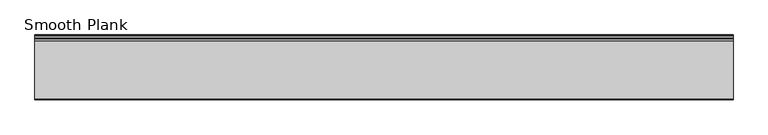
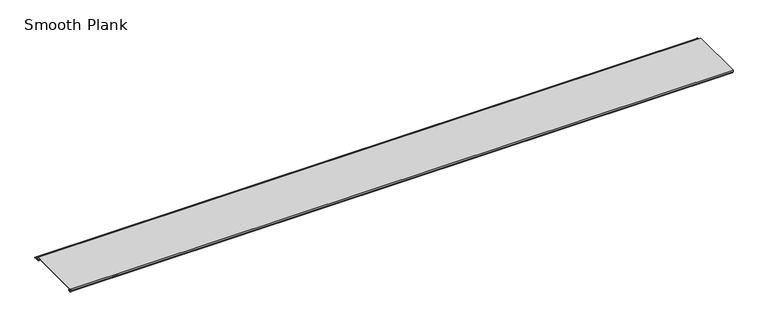
"""IFC4 building model written with IfcOpenShell, lengths in millimetres: proxy geometry, Smooth Plank."""

from ifc_helpers import new_model, si_unit, frame, origin, place, context, project, spatial, polyline, circle_curve, source, transform, mapped, element, save
from ifc_brep_helpers import plane_surface, cylinder_surface, revolved_surface, advanced_brep


def smooth_plank_182cc2cd(model_context):
    return source(origin(), model_context, "Body", "AdvancedBrep", [
        advanced_brep(
        [(0.0, 4.8744927, 8.2680202), (0.0, 3.9294566, 8.3110101), (0.0, 1.090066, 8.354), (0.0, 0.0792777, 8.354), (0.0, -0.0001544, 13.254), (0.0, 152.3996911, 13.254), (0.0, 152.3996911, 8.147108), (0.0, 158.290736, 8.147108), (0.0, 158.273537, 6.6272053), (0.0, 154.1504562, 6.6270998), (0.0, 153.6158999, 5.7546122), (0.0, 154.7631389, 3.504), (0.0, 159.5477238, 3.504), (0.0, 160.3050221, 2.8685513), (0.0, 166.0976087, 2.8685513), (0.0, 166.854907, 3.504), (0.0, 167.804907, 3.504), (0.0, 167.804907, 1.854), (0.0, 153.8453645, 1.854), (0.0, 150.8296911, 7.7700394), (0.0, 150.8296911, 11.684), (0.0, 2.2248214, 11.684), (0.0, 2.2248214, 10.494), (0.0, 3.6558496, 10.494), (0.0, 4.9451168, 9.4973352), (0.0, 6.3249897, 9.4330632), (0.0, 6.2187315, 4.8680202), (0.0, 2.2864187, 4.8680202), (0.0, 2.2365622, 6.1943028), (0.0, 4.5052255, 6.3180202), (0.0, 6.0737133, 6.3180202), (0.0, 6.0737133, 8.2680202), (1815.546, 4.8744927, 8.2680202), (1815.546, 6.0737133, 8.2680202), (1815.546, 6.0737133, 6.3180202), (1815.546, 4.5052255, 6.3180202), (1815.546, 2.2365622, 6.1943028), (1815.546, 2.2864187, 4.8680202), (1815.546, 6.2187315, 4.8680202), (1815.546, 6.3249897, 9.4330632), (1815.546, 4.9451168, 9.4973352), (1815.546, 3.6558496, 10.494), (1815.546, 2.2248214, 10.494), (1815.546, 2.2248214, 11.684), (1815.546, 150.8296911, 11.684), (1815.546, 150.8296911, 7.7700394), (1815.546, 153.8453645, 1.854), (1815.546, 167.804907, 1.854), (1815.546, 167.804907, 3.504), (1815.546, 166.854907, 3.504), (1815.546, 166.0976087, 2.8685513), (1815.546, 160.3050221, 2.8685513), (1815.546, 159.5477238, 3.504), (1815.546, 154.7631389, 3.504), (1815.546, 153.6158999, 5.7546122), (1815.546, 154.1504562, 6.6270998), (1815.546, 158.273537, 6.6270998), (1815.546, 158.290736, 8.147108), (1815.546, 152.3996911, 8.147108), (1815.546, 152.3996911, 13.254), (1815.546, -0.0001545, 13.254), (1815.546, 0.0792777, 8.354), (1815.546, 1.090066, 8.354), (1815.546, 3.9294566, 8.3110101)],
        [
            (0, 1),
            (1, 2, circle_curve(frame((0.0, 2.4844378, 6.6599411), z_axis=(1.0, 0.0, 0.0), x_axis=(0.0, 1.0, 0.0)), 2.1941076)),
            (2, 3),
            (3, 4),
            (4, 5),
            (5, 6),
            (6, 7),
            (7, 8, circle_curve(frame((0.0, 158.2821365, 7.3871566), z_axis=(-1.0, 0.0, 0.0), x_axis=(0.0, 1.0, 0.0)), 0.76)),
            (8, 9),
            (9, 10, circle_curve(frame((0.0, 154.1504562, 6.0270998), z_axis=(1.0, 0.0, 0.0), x_axis=(0.0, 1.0, 0.0)), 0.6)),
            (10, 11),
            (11, 12),
            (12, 13),
            (13, 14),
            (14, 15),
            (15, 16),
            (16, 17, circle_curve(frame((0.0, 167.804907, 2.679), z_axis=(-1.0, 0.0, 0.0), x_axis=(0.0, 1.0, 0.0)), 0.825)),
            (17, 18),
            (18, 19),
            (19, 20),
            (20, 21),
            (21, 22, circle_curve(frame((0.0, 2.2248214, 11.089), z_axis=(1.0, 0.0, 0.0), x_axis=(0.0, 1.0, 0.0)), 0.595)),
            (22, 23),
            (23, 24),
            (24, 25),
            (25, 26, circle_curve(frame((0.0, 6.2187315, 7.1517784), z_axis=(-1.0, 0.0, 0.0), x_axis=(0.0, 1.0, 0.0)), 2.2837581)),
            (26, 27),
            (27, 28, circle_curve(frame((0.0, 2.2864187, 5.5320986), z_axis=(-1.0, 0.0, 0.0), x_axis=(0.0, 1.0, 0.0)), 0.6640784)),
            (28, 29),
            (29, 30),
            (30, 31, circle_curve(frame((0.0, 6.0737133, 7.2930202), z_axis=(1.0, 0.0, 0.0), x_axis=(0.0, 1.0, 0.0)), 0.975)),
            (31, 0),
            (32, 33),
            (33, 34, circle_curve(frame((1815.546, 6.0737133, 7.2930202), z_axis=(-1.0, 0.0, 0.0), x_axis=(0.0, 1.0, 0.0)), 0.975)),
            (34, 35),
            (35, 36),
            (36, 37, circle_curve(frame((1815.546, 2.2864187, 5.5320986), z_axis=(1.0, 0.0, 0.0), x_axis=(0.0, 1.0, 0.0)), 0.6640784)),
            (37, 38),
            (38, 39, circle_curve(frame((1815.546, 6.2187315, 7.1517784), z_axis=(1.0, 0.0, 0.0), x_axis=(0.0, 1.0, 0.0)), 2.2837581)),
            (39, 40),
            (40, 41),
            (41, 42),
            (42, 43, circle_curve(frame((1815.546, 2.2248214, 11.089), z_axis=(-1.0, 0.0, 0.0), x_axis=(0.0, 1.0, 0.0)), 0.595)),
            (43, 44),
            (44, 45),
            (45, 46),
            (46, 47),
            (47, 48, circle_curve(frame((1815.546, 167.804907, 2.679), z_axis=(1.0, 0.0, 0.0), x_axis=(0.0, 1.0, 0.0)), 0.825)),
            (48, 49),
            (49, 50),
            (50, 51),
            (51, 52),
            (52, 53),
            (53, 54),
            (54, 55, circle_curve(frame((1815.546, 154.1504562, 6.0270998), z_axis=(-1.0, 0.0, 0.0), x_axis=(0.0, 1.0, 0.0)), 0.6)),
            (55, 56),
            (56, 57, circle_curve(frame((1815.546, 158.2821365, 7.3871566), z_axis=(1.0, 0.0, 0.0), x_axis=(0.0, 1.0, 0.0)), 0.76)),
            (57, 58),
            (58, 59),
            (59, 60),
            (60, 61),
            (61, 62),
            (62, 63, circle_curve(frame((1815.546, 2.4844378, 6.6599411), z_axis=(-1.0, 0.0, 0.0), x_axis=(0.0, 1.0, 0.0)), 2.1941076)),
            (63, 32),
            (0, 32),
            (63, 1),
            (62, 2),
            (61, 3),
            (60, 4),
            (59, 5),
            (6, 58),
            (57, 7),
            (56, 8),
            (55, 9),
            (54, 10),
            (53, 11),
            (52, 12),
            (51, 13),
            (50, 14),
            (49, 15),
            (48, 16),
            (47, 17),
            (46, 18),
            (45, 19),
            (20, 44),
            (43, 21),
            (24, 40),
            (39, 25),
            (38, 26),
            (37, 27),
            (36, 28),
            (35, 29),
            (34, 30),
            (33, 31),
            (42, 22),
            (41, 23),
        ],
        [
            plane_surface(frame((0.0, 0.0, 13.254), z_axis=(-1.0, 0.0, 0.0), x_axis=(0.0, 0.0, 1.0))),
            plane_surface(frame((1815.546, 0.0, 13.254), z_axis=(1.0, 0.0, 0.0), x_axis=(0.0, 0.0, 1.0))),
            plane_surface(frame((0.0, 4.8744927, 8.2680202), z_axis=(0.0, -0.0454431993537408, -0.998966924193437), x_axis=(1.0, 0.0, 0.0))),
            revolved_surface(polyline([(1815.546, 4.6785454, 6.6599411), (0.0, 4.6785454, 6.6599411)]), (0.0, 2.4844378, 6.6599411), (1.0, 0.0, 0.0)),
            plane_surface(frame((0.0, 1.090066, 8.354), z_axis=(0.0, 0.0, -1.0), x_axis=(1.0, 0.0, 0.0))),
            plane_surface(frame((0.0, 0.0792777, 8.354), z_axis=(0.0, -0.9998686335034459, -0.016208508134682206), x_axis=(1.0, 0.0, 0.0))),
            plane_surface(frame((0.0, -0.0001544, 13.254), z_axis=(0.0, 0.0, 1.0), x_axis=(1.0, 0.0, 0.0))),
            plane_surface(frame((0.0, 152.3996911, 8.147108), z_axis=(0.0, 0.0, 1.0), x_axis=(1.0, 0.0, 0.0))),
            cylinder_surface(frame((0.0, 158.2821365, 7.3871566), z_axis=(-1.0, 0.0, 0.0), x_axis=(0.0, 1.0, 0.0)), 0.76),
            plane_surface(frame((0.0, 158.273537, 6.6270998), z_axis=(0.0, 0.0, -1.0), x_axis=(1.0, 0.0, 0.0))),
            revolved_surface(polyline([(1815.546, 154.7504562, 6.0270998), (0.0, 154.7504562, 6.0270998)]), (0.0, 154.1504562, 6.0270998), (1.0, 0.0, 0.0)),
            plane_surface(frame((0.0, 153.6158999, 5.7546122), z_axis=(0.0, 0.8909272743742572, 0.45414600270844285), x_axis=(1.0, 0.0, 0.0))),
            plane_surface(frame((0.0, 154.7631389, 3.504), z_axis=(0.0, 0.0, 1.0), x_axis=(1.0, 0.0, 0.0))),
            plane_surface(frame((0.0, 159.5477238, 3.504), z_axis=(0.0, 0.6427876096865325, 0.7660444431189838), x_axis=(1.0, 0.0, 0.0))),
            plane_surface(frame((0.0, 160.3050221, 2.8685513), z_axis=(0.0, 0.0, 1.0), x_axis=(1.0, 0.0, 0.0))),
            plane_surface(frame((0.0, 166.0976087, 2.8685513), z_axis=(0.0, -0.6427876096865227, 0.766044443118992), x_axis=(1.0, 0.0, 0.0))),
            plane_surface(frame((0.0, 166.854907, 3.504), z_axis=(0.0, 0.0, 1.0), x_axis=(1.0, 0.0, 0.0))),
            cylinder_surface(frame((0.0, 167.804907, 2.679), z_axis=(-1.0, 0.0, 0.0), x_axis=(0.0, 1.0, 0.0)), 0.825),
            plane_surface(frame((0.0, 167.804907, 1.854), z_axis=(0.0, 0.0, -1.0), x_axis=(1.0, 0.0, 0.0))),
            plane_surface(frame((0.0, 153.8453645, 1.854), z_axis=(0.0, -0.8909272743276322, -0.45414600279991024), x_axis=(1.0, 0.0, 0.0))),
            plane_surface(frame((0.0, 150.8296911, 11.684), z_axis=(0.0, 0.0, -1.0), x_axis=(1.0, 0.0, 0.0))),
            plane_surface(frame((0.0, 4.9451168, 9.4973352), z_axis=(0.0, 0.04652776816328424, 0.9989169969470656), x_axis=(1.0, 0.0, 0.0))),
            cylinder_surface(frame((0.0, 6.2187315, 7.1517784), z_axis=(-1.0, 0.0, 0.0), x_axis=(0.0, 1.0, 0.0)), 2.2837581),
            plane_surface(frame((0.0, 6.2187315, 4.8680202), z_axis=(0.0, 0.0, -1.0), x_axis=(1.0, 0.0, 0.0))),
            cylinder_surface(frame((0.0, 2.2864187, 5.5320986), z_axis=(-1.0, 0.0, 0.0), x_axis=(0.0, 1.0, 0.0)), 0.6640784),
            plane_surface(frame((0.0, 2.2365622, 6.1943028), z_axis=(0.0, -0.05445228147223457, 0.9985163739481034), x_axis=(1.0, 0.0, 0.0))),
            plane_surface(frame((0.0, 4.5052255, 6.3180202), z_axis=(0.0, 0.0, 1.0), x_axis=(1.0, 0.0, 0.0))),
            revolved_surface(polyline([(1815.546, 7.048713299999999, 7.2930202), (0.0, 7.048713299999999, 7.2930202)]), (0.0, 6.0737133, 7.2930202), (1.0, 0.0, 0.0)),
            plane_surface(frame((0.0, 6.0737133, 8.2680202), z_axis=(0.0, 0.0, -1.0), x_axis=(1.0, 0.0, 0.0))),
            revolved_surface(polyline([(1815.546, 2.8198214000000004, 11.089), (0.0, 2.8198214000000004, 11.089)]), (0.0, 2.2248214, 11.089), (1.0, 0.0, 0.0)),
            plane_surface(frame((0.0, 2.2248214, 10.494), z_axis=(0.0, 0.0, 1.0), x_axis=(1.0, 0.0, 0.0))),
            plane_surface(frame((0.0, 152.3996911, 13.254), z_axis=(0.0, 1.0, 0.0), x_axis=(1.0, 0.0, 0.0))),
            plane_surface(frame((0.0, 150.8296911, 7.7700394), z_axis=(0.0, -1.0, 0.0), x_axis=(1.0, 0.0, 0.0))),
            plane_surface(frame((0.0, 3.6558496, 10.494), z_axis=(0.0, 0.6116061127853081, 0.7911624124057242), x_axis=(1.0, 0.0, 0.0))),
        ],
        [
            (0, [[1, 2, 3, 4, 5, 6, 7, 8, 9, 10, 11, 12, 13, 14, 15, 16, 17, 18, 19, 20, 21, 22, 23, 24, 25, 26, 27, 28, 29, 30, 31, 32]]),
            (1, [[33, 34, 35, 36, 37, 38, 39, 40, 41, 42, 43, 44, 45, 46, 47, 48, 49, 50, 51, 52, 53, 54, 55, 56, 57, 58, 59, 60, 61, 62, 63, 64]]),
            (2, [[-1, 65, -64, 66]]),
            (3, [[-2, -66, -63, 67]]),
            (4, [[-3, -67, -62, 68]]),
            (5, [[-4, -68, -61, 69]]),
            (6, [[-5, -69, -60, 70]]),
            (7, [[-7, 71, -58, 72]]),
            (8, [[-8, -72, -57, 73]]),
            (9, [[-9, -73, -56, 74]]),
            (10, [[-10, -74, -55, 75]]),
            (11, [[-11, -75, -54, 76]]),
            (12, [[-12, -76, -53, 77]]),
            (13, [[-13, -77, -52, 78]]),
            (14, [[-14, -78, -51, 79]]),
            (15, [[-15, -79, -50, 80]]),
            (16, [[-16, -80, -49, 81]]),
            (17, [[-17, -81, -48, 82]]),
            (18, [[-18, -82, -47, 83]]),
            (19, [[-19, -83, -46, 84]]),
            (20, [[-21, 85, -44, 86]]),
            (21, [[-25, 87, -40, 88]]),
            (22, [[-26, -88, -39, 89]]),
            (23, [[-27, -89, -38, 90]]),
            (24, [[-28, -90, -37, 91]]),
            (25, [[-29, -91, -36, 92]]),
            (26, [[-30, -92, -35, 93]]),
            (27, [[-31, -93, -34, 94]]),
            (28, [[-32, -94, -33, -65]]),
            (29, [[-22, -86, -43, 95]]),
            (30, [[-23, -95, -42, 96]]),
            (31, [[-6, -70, -59, -71]]),
            (32, [[-20, -84, -45, -85]]),
            (33, [[-24, -96, -41, -87]]),
        ],
    ),
    ])


if __name__ == "__main__":
    model = new_model("IFC4")
    model_context = context("Model", 3, world=origin())
    ifc_project = project(units=[si_unit("LENGTHUNIT", "METRE", prefix="MILLI")], contexts=[model_context])
    site = spatial("IfcSite", under=ifc_project)
    building = spatial("IfcBuilding", under=site)
    placement = place(None, origin())
    smooth_plank_shape = smooth_plank_182cc2cd(model_context)
    element("IfcBuildingElementProxy", 1, Name="Smooth Plank", ObjectType="Smooth Plank", at=placement, inside=building, context=model_context, shape_type="MappedRepresentation", body=[
        mapped(smooth_plank_shape, transform((0.0, 0.0, 0.0), x_axis=(1.0, 0.0, 0.0), y_axis=(0.0, 1.0, 0.0), z_axis=(0.0, 0.0, 1.0))),
    ])
    save(model, "model.ifc")
